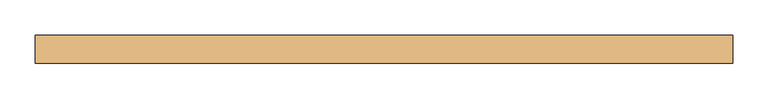
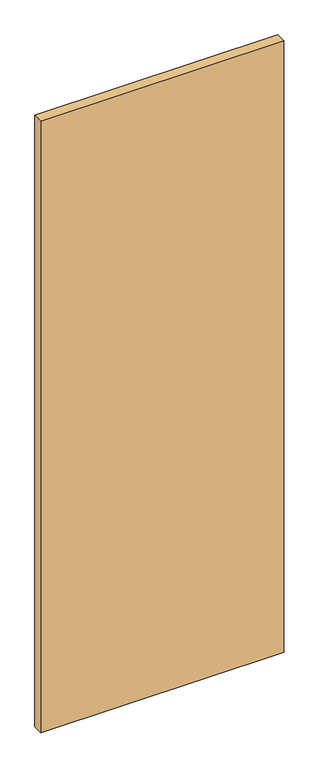
"""IFC4 building model written with IfcOpenShell, lengths in millimetres: door geometry."""

from ifc_helpers import new_model, si_unit, frame, origin, place, context, project, spatial, polyline, outline, extrude, source, transform, mapped, element, save


def door_03fc7d81(model_context):
    return source(origin(), model_context, "Body", "SweptSolid", [
        extrude(outline(polyline([(495.0, 20.0), (495.0, -20.0), (-495.0, -20.0), (-495.0, 20.0), (495.0, 20.0)])), frame((0.0, 0.0, 10.0), z_axis=(0.0, 0.0, 1.0), x_axis=(1.0, 0.0, 0.0)), (0.0, 0.0, 1.0), 2636.0),
    ])


if __name__ == "__main__":
    model = new_model("IFC4")
    model_context = context("Model", 3, world=origin())
    ifc_project = project(units=[si_unit("LENGTHUNIT", "METRE", prefix="MILLI")], contexts=[model_context])
    site = spatial("IfcSite", under=ifc_project)
    building = spatial("IfcBuilding", under=site)
    placement = place(None, origin())
    door_shape = door_03fc7d81(model_context)
    element("IfcDoor", 1, at=placement, inside=building, context=model_context, shape_type="MappedRepresentation", body=[
        mapped(door_shape, transform((0.0, 0.0, 0.0), x_axis=(1.0, 0.0, 0.0), y_axis=(0.0, 1.0, 0.0), z_axis=(0.0, 0.0, 1.0))),
    ])
    save(model, "model.ifc")
